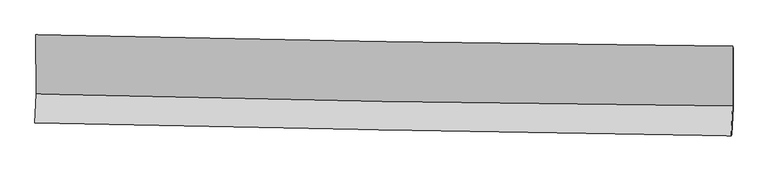
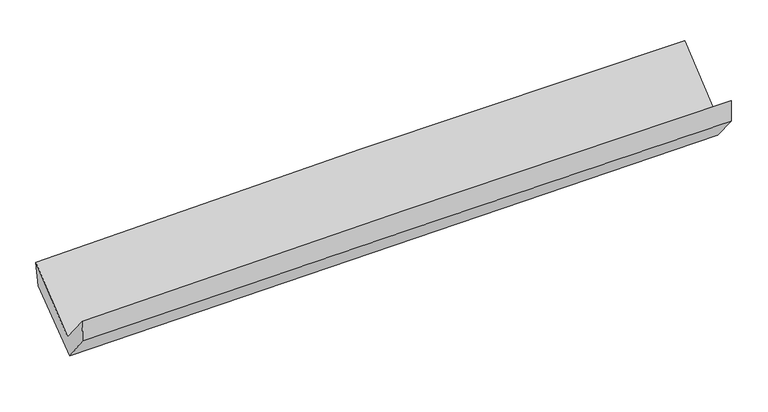
"""IFC4 building model written with IfcOpenShell, lengths in millimetres: proxy geometry."""

from ifc_helpers import new_model, si_unit, frame, origin, place, context, project, spatial, source, transform, mapped, element, save
from ifc_brep_helpers import plane_surface, spline_curve, spline_surface, advanced_brep


def generic_models_6cbfa37f(model_context):
    return source(origin(), model_context, "Body", "AdvancedBrep", [
        advanced_brep(
        [(-3033.1060695, -1161.7415018, 2167.8056934), (-3031.4485161, -1675.8846818, 1736.7144223), (3020.7727553, -1780.9411878, 1880.9984439), (3021.0476725, -1258.5377819, 2316.498421), (-3042.4857656, -1931.368719, 2052.8454735), (3009.585236, -2042.6325826, 2198.6284347), (-3038.1119976, -1931.1193427, 1857.4510897), (3014.0575166, -2033.4041396, 1989.7030714), (-3028.0927698, -1707.4934614, 1564.7200925), (3024.2772693, -1794.2831016, 1699.6069786), (-3028.77897, -1193.4398949, 1952.316305), (3024.9615508, -1279.7527494, 2108.4932485)],
        [
            (0, 1),
            (1, 2, spline_curve(3, [(-3031.4485161, -1675.8846818, 1736.7144223), (-2023.194730621, -1703.610016219, 1775.912803665), (-1014.680378179, -1726.227650235, 1807.535977535), (1002.726786131, -1761.245041065, 1855.628508866), (2011.619524017, -1773.646242209, 1872.10000876), (3020.7727553, -1780.9411878, 1880.9984439)], [4, 2, 4], [0.0, 9.935209628046575, 19.86901407988922])),
            (2, 3),
            (3, 0, spline_curve(3, [(3021.0476725, -1258.5377819, 2316.498421), (2011.557335576, -1248.333443529, 2311.523563121), (1002.33501652, -1235.165697662, 2296.646650418), (-1015.716306524, -1202.901109723, 2247.085209499), (-2024.545234712, -1183.803428602, 2212.397879871), (-3033.1060695, -1161.7415018, 2167.8056934)], [4, 2, 4], [0.0, 9.933804451842644, 19.86901407988922])),
            (1, 4),
            (4, 5, spline_curve(3, [(-3042.4857656, -1931.368719, 2052.8454735), (-2034.073893414, -1953.17579175, 2089.236082361), (-1025.493027323, -1973.351857091, 2119.580398147), (991.864020819, -2010.439350407, 2168.173008687), (2000.64015552, -2027.351239495, 2186.423012746), (3009.585236, -2042.6325826, 2198.6284347)], [4, 2, 4], [0.0, 9.933479609482537, 19.865554287444546])),
            (5, 2),
            (4, 6),
            (6, 7, spline_curve(3, [(-3038.1119976, -1931.1193427, 1857.4510897), (-2029.422548813, -1948.936701608, 1881.235798045), (-1020.694693655, -1966.369689808, 1904.149868426), (996.695155231, -2000.464513338, 1948.233616284), (2005.35713829, -2017.126457667, 1969.403539639), (3014.0575166, -2033.4041396, 1989.7030714)], [4, 2, 4], [0.0, 9.932959259628618, 19.864513661331856])),
            (7, 5),
            (6, 8),
            (8, 9, spline_curve(3, [(-3028.0927698, -1707.4934614, 1564.7200925), (-2019.333056079, -1721.657917821, 1587.758785117), (-1010.553358328, -1735.973138266, 1610.519480703), (1006.903326778, -1764.903060753, 1655.48169748), (2015.580308864, -1779.517720554, 1677.683297348), (3024.2772693, -1794.2831016, 1699.6069786)], [4, 2, 4], [0.0, 9.932596759740369, 19.86378871282516])),
            (9, 7),
            (8, 10),
            (10, 11, spline_curve(3, [(-3028.77897, -1193.4398949, 1952.316305), (-2019.9271476, -1212.509353244, 1981.892580114), (-1010.987175983, -1229.237163547, 2009.696257893), (1006.926356124, -1258.007452561, 2061.754737828), (2015.899891191, -1270.050593839, 2086.010040995), (3024.9615508, -1279.7527494, 2108.4932485)], [4, 2, 4], [0.0, 9.934152295751089, 19.866899564840956])),
            (11, 9),
            (10, 0),
            (3, 11),
        ],
        [
            spline_surface(3, 3, [[(-3033.1060695, -1161.7415018, 2167.8056934), (-2024.545234799, -1183.803428659, 2212.397879757), (-1015.716306584, -1202.901109558, 2247.085209471), (1002.33501658, -1235.165697826, 2296.646650445), (2011.557335696, -1248.33344363, 2311.523563246), (3021.0476725, -1258.5377819, 2316.498421)], [(-3032.553551678, -1333.122561798, 2024.108603043), (-2024.095066734, -1357.072291211, 2066.902854419), (-1015.370997111, -1377.343289808, 2100.568798839), (1002.465606385, -1410.525478867, 2149.640603227), (2011.578065135, -1423.437709855, 2165.049045089), (3020.956033447, -1432.672250544, 2171.331761947)], [(-3032.001033922, -1504.503621802, 1880.411512657), (-2023.644898735, -1530.341153768, 1921.407829053), (-1015.025687577, -1551.78547008, 1954.052388225), (1002.596196251, -1585.88525993, 2002.634556026), (2011.598794533, -1598.541976047, 2018.574526993), (3020.864394353, -1606.806719156, 2026.165102953)], [(-3031.4485161, -1675.8846818, 1736.7144223), (-2023.19473067, -1703.610016319, 1775.912803715), (-1014.680378104, -1726.227650329, 1807.535977593), (1002.726786056, -1761.245040971, 1855.628508808), (2011.619523971, -1773.646242272, 1872.100008837), (3020.7727553, -1780.9411878, 1880.9984439)]], [4, 4], [4, 2, 4], [0.0, 2.2472271248287243], [0.0, 9.935209628046575, 19.86901407988922]),
            spline_surface(3, 3, [[(-3031.4485161, -1675.8846818, 1736.7144223), (-2023.19473067, -1703.610016319, 1775.912803715), (-1014.680378104, -1726.227650329, 1807.535977593), (1002.726786056, -1761.245040971, 1855.628508808), (2011.619523971, -1773.646242272, 1872.100008837), (3020.7727553, -1780.9411878, 1880.9984439)], [(-3035.127599272, -1761.046027548, 1842.091439338), (-2026.82111826, -1786.798608144, 1880.353896527), (-1018.28459452, -1808.60238594, 1911.550784491), (999.105864357, -1844.309810773, 1959.810008711), (2007.959734448, -1858.214574686, 1976.87434351), (3017.043582179, -1868.171652743, 1986.875107504)], [(-3038.806682428, -1846.207373252, 1947.468456462), (-2030.447505835, -1869.987199926, 1984.794989425), (-1021.888810992, -1890.977121532, 2015.565591404), (995.484942602, -1927.374580555, 2063.991508629), (2004.299944987, -1942.782907069, 2081.648678171), (3013.314409121, -1955.402117657, 2092.751771096)], [(-3042.4857656, -1931.368719, 2052.8454735), (-2034.073893425, -1953.17579175, 2089.236082237), (-1025.493027407, -1973.351857143, 2119.580398302), (991.864020903, -2010.439350356, 2168.173008532), (2000.640155464, -2027.351239483, 2186.423012844), (3009.585236, -2042.6325826, 2198.6284347)]], [4, 4], [4, 2, 4], [0.0, 1.3091669758755549], [0.0, 9.933479609482537, 19.865554287444546]),
            spline_surface(3, 3, [[(-3042.4857656, -1931.368719, 2052.8454735), (-2034.073893425, -1953.17579175, 2089.236082237), (-1025.493027407, -1973.351857143, 2119.580398302), (991.864020903, -2010.439350356, 2168.173008532), (2000.640155464, -2027.351239483, 2186.423012844), (3009.585236, -2042.6325826, 2198.6284347)], [(-3041.027842954, -1931.28559358, 1987.714012243), (-2032.523445227, -1951.762761716, 2019.902654188), (-1023.893582855, -1971.024468026, 2047.770221735), (993.474398996, -2007.114404688, 2094.859877772), (2002.212483055, -2023.94297881, 2114.083188434), (3011.075996205, -2039.556434918, 2128.986646941)], [(-3039.569920246, -1931.20246812, 1922.582550957), (-2030.972996968, -1950.349731641, 1950.569226108), (-1022.29413823, -1968.69707891, 1975.960045096), (995.084777161, -2003.789459021, 2021.546746941), (2003.784810632, -2020.534718183, 2041.743364001), (3012.566756395, -2036.480287282, 2059.344859159)], [(-3038.1119976, -1931.1193427, 1857.4510897), (-2029.42254877, -1948.936701606, 1881.235798059), (-1020.694693678, -1966.369689793, 1904.149868529), (996.695155254, -2000.464513353, 1948.233616181), (2005.357138224, -2017.12645751, 1969.403539591), (3014.0575166, -2033.4041396, 1989.7030714)]], [4, 4], [4, 2, 4], [0.0, 0.7149044718598865], [0.0, 9.932959259628618, 19.864513661331856]),
            spline_surface(3, 3, [[(-3038.1119976, -1931.1193427, 1857.4510897), (-2029.42254877, -1948.936701606, 1881.235798059), (-1020.694693678, -1966.369689793, 1904.149868529), (996.695155254, -2000.464513353, 1948.233616181), (2005.357138224, -2017.12645751, 1969.403539591), (3014.0575166, -2033.4041396, 1989.7030714)], [(-3034.77225499, -1856.577382241, 1759.874090627), (-2026.05938458, -1873.177106985, 1783.410127114), (-1017.314248603, -1889.570839248, 1806.273072583), (1000.097879132, -1921.944029193, 1850.649643263), (2008.764861755, -1937.923545205, 1872.163458828), (3017.464100827, -1953.697126935, 1893.004373787)], [(-3031.43251241, -1782.035421859, 1662.297091573), (-2022.696220419, -1797.417512442, 1685.584456188), (-1013.93380352, -1812.771988697, 1708.396276668), (1003.500603017, -1843.423545027, 1753.065670378), (2012.172585306, -1858.720632896, 1774.923378104), (3020.870685073, -1873.990114265, 1796.305676213)], [(-3028.0927698, -1707.4934614, 1564.7200925), (-2019.333056229, -1721.65791782, 1587.758785243), (-1010.553358445, -1735.973138151, 1610.519480722), (1006.903326894, -1764.903060867, 1655.481697461), (2015.580308838, -1779.517720591, 1677.683297342), (3024.2772693, -1794.2831016, 1699.6069786)]], [4, 4], [4, 2, 4], [0.0, 1.2290836336192594], [0.0, 9.932596759740369, 19.86378871282516]),
            spline_surface(3, 3, [[(-3028.0927698, -1707.4934614, 1564.7200925), (-2019.333056229, -1721.65791782, 1587.758785243), (-1010.553358445, -1735.973138151, 1610.519480722), (1006.903326894, -1764.903060867, 1655.481697461), (2015.580308838, -1779.517720591, 1677.683297342), (3024.2772693, -1794.2831016, 1699.6069786)], [(-3028.3215032, -1536.142272587, 1693.918830026), (-2019.531086718, -1551.941729657, 1719.136716879), (-1010.697964241, -1567.061146577, 1743.578406487), (1006.91100328, -1595.937858112, 1790.906044238), (2015.686836286, -1609.695345058, 1813.792211915), (3024.505363166, -1622.772984218, 1835.902401905)], [(-3028.5502366, -1364.791083713, 1823.117567474), (-2019.729117207, -1382.225541434, 1850.514648436), (-1010.842570076, -1398.149155042, 1876.637332208), (1006.918679627, -1426.972655396, 1926.33039097), (2015.793363635, -1439.872969471, 1949.901126475), (3024.733456934, -1451.262866782, 1972.197825195)], [(-3028.77897, -1193.4398949, 1952.316305), (-2019.927147697, -1212.509353271, 1981.892580072), (-1010.987175873, -1229.237163468, 2009.696257974), (1006.926356013, -1258.00745264, 2061.754737747), (2015.899891083, -1270.050593937, 2086.010041048), (3024.9615508, -1279.7527494, 2108.4932485)]], [4, 4], [4, 2, 4], [0.0, 2.123819276837276], [0.0, 9.934152295751089, 19.866899564840956]),
            spline_surface(3, 3, [[(-3028.77897, -1193.4398949, 1952.316305), (-2019.927147697, -1212.509353271, 1981.892580072), (-1010.987175873, -1229.237163468, 2009.696257974), (1006.926356013, -1258.00745264, 2061.754737747), (2015.899891083, -1270.050593937, 2086.010041048), (3024.9615508, -1279.7527494, 2108.4932485)], [(-3030.221336506, -1182.873763847, 2024.146101122), (-2021.466510071, -1202.940711714, 2058.727679956), (-1012.563552761, -1220.458478844, 2088.825908456), (1005.395909551, -1250.393534381, 2140.052041962), (2014.452372596, -1262.81154381, 2161.18121513), (3023.656924675, -1272.681093542, 2177.828306016)], [(-3031.663702994, -1172.307632853, 2095.975897278), (-2023.005872426, -1193.372070216, 2135.562779873), (-1014.139929696, -1211.679794182, 2167.955558989), (1003.865463042, -1242.779616085, 2218.34934623), (2013.004854183, -1255.572493757, 2236.352389164), (3022.352298625, -1265.609437758, 2247.163363484)], [(-3033.1060695, -1161.7415018, 2167.8056934), (-2024.545234799, -1183.803428659, 2212.397879757), (-1015.716306584, -1202.901109558, 2247.085209471), (1002.33501658, -1235.165697826, 2296.646650445), (2011.557335696, -1248.33344363, 2311.523563246), (3021.0476725, -1258.5377819, 2316.498421)]], [4, 4], [4, 2, 4], [0.0, 0.7790784630620926], [0.0, 9.936201088196773, 19.870996859963462]),
            plane_surface(frame((3019.1170001, -1698.2585905, 2032.321433), z_axis=(0.9996305611364629, -0.01771238621277124, 0.020615834124531565), x_axis=(0.001041185738129233, 0.7828964932652187, 0.6221511044475306))),
            plane_surface(frame((-3033.6706814, -1600.1746003, 1888.6421794), z_axis=(-0.999629562334472, 0.015522184525980618, -0.022356204832968334), x_axis=(0.019862628963059476, -0.14550472420555408, -0.9891581527766637))),
        ],
        [
            (0, [[1, 2, 3, 4]]),
            (1, [[5, 6, 7, -2]]),
            (2, [[8, 9, 10, -6]]),
            (3, [[11, 12, 13, -9]]),
            (4, [[14, 15, 16, -12]]),
            (5, [[17, -4, 18, -15]]),
            (6, [[-16, -18, -3, -7, -10, -13]]),
            (7, [[-17, -14, -11, -8, -5, -1]]),
        ],
    ),
    ])


if __name__ == "__main__":
    model = new_model("IFC4")
    model_context = context("Model", 3, world=origin())
    ifc_project = project(units=[si_unit("LENGTHUNIT", "METRE", prefix="MILLI")], contexts=[model_context])
    site = spatial("IfcSite", under=ifc_project)
    building = spatial("IfcBuilding", under=site)
    placement = place(None, origin())
    generic_models_shape = generic_models_6cbfa37f(model_context)
    element("IfcBuildingElementProxy", 1, Name="Generic Models", at=placement, inside=building, context=model_context, shape_type="MappedRepresentation", body=[
        mapped(generic_models_shape, transform((0.0, 0.0, 0.0), x_axis=(1.0, 0.0, 0.0), y_axis=(0.0, 1.0, 0.0), z_axis=(0.0, 0.0, 1.0))),
    ])
    save(model, "model.ifc")
